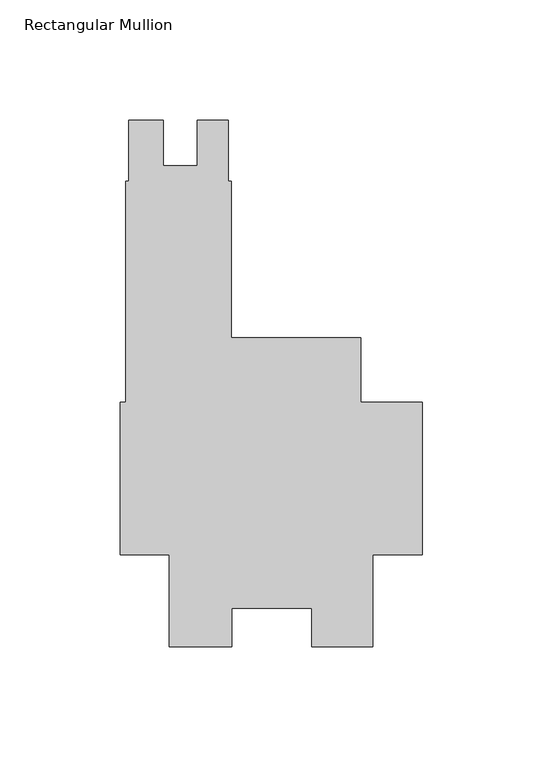
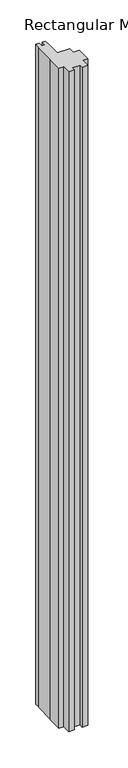
"""IFC4 building model written with IfcOpenShell, lengths in millimetres: member geometry, Rectangular Mullion."""

from ifc_helpers import new_model, si_unit, frame, origin, place, context, project, spatial, polyline, outline, extrude, source, transform, mapped, element, save


def rectangular_mullion_555b3751(model_context):
    return source(origin(), model_context, "Body", "SweptSolid", [
        extrude(outline(polyline([(-122.1422337, 149.225), (-107.88015, 149.225), (-107.88015, 130.1877009), (-93.59265, 130.1877009), (-93.59265, 149.225), (-80.87995, 149.225), (-80.87995, 123.825), (-79.60995, 123.825), (-79.60995, 58.7248), (-25.577927, 58.7248), (-25.577927, 31.75), (0.0, 31.75), (0.0, -31.75), (-20.6735973, -31.75), (-20.6735973, -69.85), (-45.9670891, -69.85), (-45.9670891, -53.9601034), (-79.3689318, -53.9601034), (-79.3689318, -69.8732034), (-105.2447888, -69.8732034), (-105.2447888, -31.75), (-125.7808, -31.75), (-125.7808, 31.75), (-123.39955, 31.75), (-123.39955, 123.825), (-122.1422337, 123.825), (-122.1422337, 149.225)])), frame((0.0, 0.0, -3048.0), z_axis=(0.0, 0.0, 1.0), x_axis=(1.0, 0.0, 0.0)), (0.0, 0.0, 1.0), 3048.0),
    ])


if __name__ == "__main__":
    model = new_model("IFC4")
    model_context = context("Model", 3, world=origin())
    ifc_project = project(units=[si_unit("LENGTHUNIT", "METRE", prefix="MILLI")], contexts=[model_context])
    site = spatial("IfcSite", under=ifc_project)
    building = spatial("IfcBuilding", under=site)
    placement = place(None, origin())
    rectangular_mullion_shape = rectangular_mullion_555b3751(model_context)
    element("IfcMember", 1, ObjectType="Rectangular Mullion", at=placement, inside=building, context=model_context, shape_type="MappedRepresentation", body=[
        mapped(rectangular_mullion_shape, transform((0.0, 0.0, 0.0), x_axis=(1.0, 0.0, 0.0), y_axis=(0.0, 1.0, 0.0), z_axis=(0.0, 0.0, 1.0))),
    ])
    save(model, "model.ifc")
